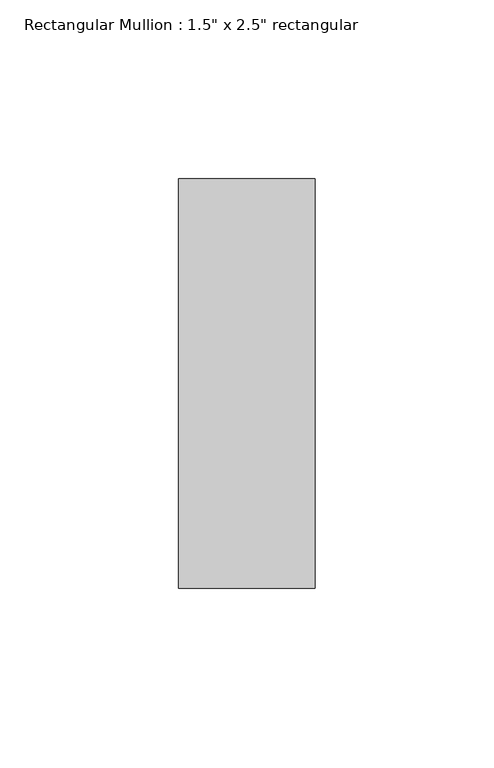
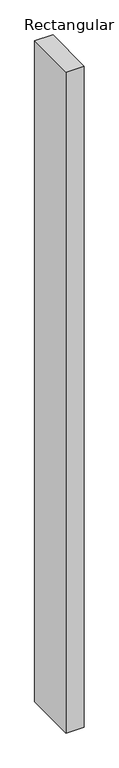
"""IFC4 building model written with IfcOpenShell, lengths in millimetres: member geometry."""

from ifc_helpers import new_model, si_unit, frame, origin, place, context, project, spatial, polyline, outline, extrude, source, transform, mapped, element, save


def member_c950a75d(model_context):
    return source(origin(), model_context, "Body", "SweptSolid", [
        extrude(outline(polyline([(0.0, 57.15), (0.0, -57.15), (-38.1, -57.15), (-38.1, 57.15), (0.0, 57.15)])), frame((0.0, 0.0, -1466.85), z_axis=(0.0, 0.0, 1.0), x_axis=(1.0, 0.0, 0.0)), (0.0, 0.0, 1.0), 1466.85),
    ])


if __name__ == "__main__":
    model = new_model("IFC4")
    model_context = context("Model", 3, world=origin())
    ifc_project = project(units=[si_unit("LENGTHUNIT", "METRE", prefix="MILLI")], contexts=[model_context])
    site = spatial("IfcSite", under=ifc_project)
    building = spatial("IfcBuilding", under=site)
    placement = place(None, origin())
    member_shape = member_c950a75d(model_context)
    element("IfcMember", 1, ObjectType="Rectangular Mullion : 1.5\" x 2.5\" rectangular", at=placement, inside=building, context=model_context, shape_type="MappedRepresentation", body=[
        mapped(member_shape, transform((0.0, 0.0, 0.0), x_axis=(1.0, 0.0, 0.0), y_axis=(0.0, 1.0, 0.0), z_axis=(0.0, 0.0, 1.0))),
    ])
    save(model, "model.ifc")
